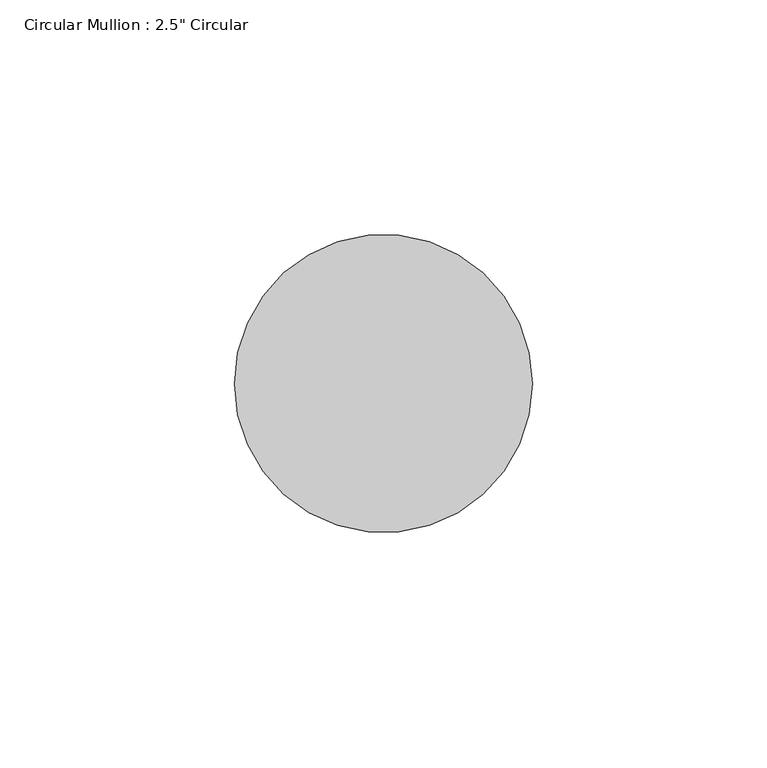
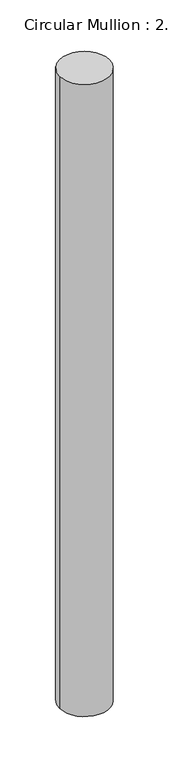
"""IFC4 building model written with IfcOpenShell, lengths in millimetres: member geometry."""

from ifc_helpers import new_model, si_unit, point, frame, frame_2d, origin, place, context, project, spatial, circle_curve, trimmed, segment, composite_curve, outline, extrude, source, transform, mapped, element, save


def member_38f65c15(model_context):
    return source(origin(), model_context, "Body", "SweptSolid", [
        extrude(outline(composite_curve([segment(trimmed(circle_curve(frame_2d((-31.75, 0.0)), 31.75), [point((0.0, 0.0))], [point((-63.5, 0.0))], False, "CARTESIAN"), True, "CONTINUOUS"), segment(trimmed(circle_curve(frame_2d((-31.75, 0.0)), 31.75), [point((-63.5, 0.0))], [point((0.0, 0.0))], False, "CARTESIAN"), True, "CONTINUOUS")], self_intersect=False)), frame((0.0, 0.0, -850.9), z_axis=(0.0, 0.0, 1.0), x_axis=(1.0, 0.0, 0.0)), (0.0, 0.0, 1.0), 850.9),
    ])


if __name__ == "__main__":
    model = new_model("IFC4")
    model_context = context("Model", 3, world=origin())
    ifc_project = project(units=[si_unit("LENGTHUNIT", "METRE", prefix="MILLI")], contexts=[model_context])
    site = spatial("IfcSite", under=ifc_project)
    building = spatial("IfcBuilding", under=site)
    placement = place(None, origin())
    member_shape = member_38f65c15(model_context)
    element("IfcMember", 1, ObjectType="Circular Mullion : 2.5\" Circular", at=placement, inside=building, context=model_context, shape_type="MappedRepresentation", body=[
        mapped(member_shape, transform((0.0, 0.0, 0.0), x_axis=(1.0, 0.0, 0.0), y_axis=(0.0, 1.0, 0.0), z_axis=(0.0, 0.0, 1.0))),
    ])
    save(model, "model.ifc")
